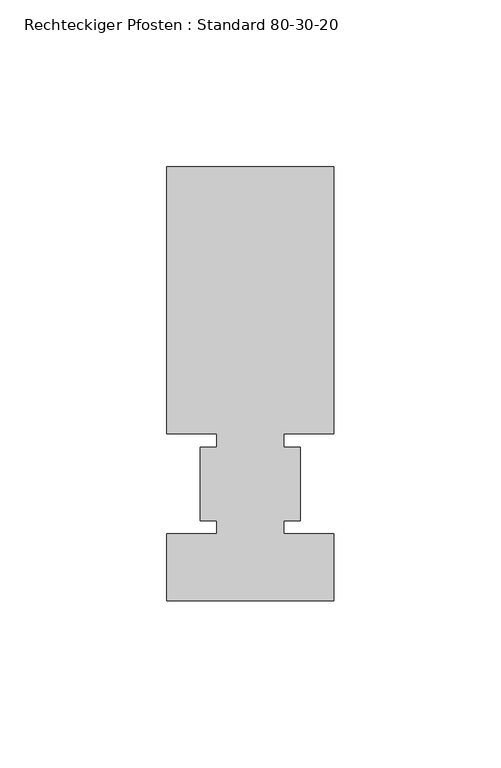
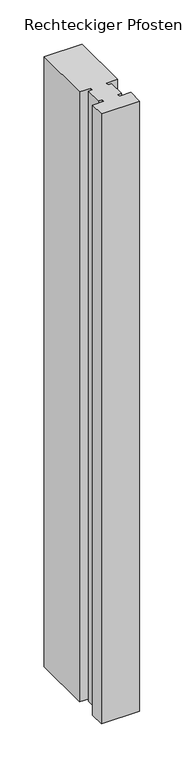
"""IFC4 building model written with IfcOpenShell, lengths in millimetres: member geometry, Rechteckiger Pfosten : Standard 80-30-20."""

import ifcopenshell
import ifcopenshell.guid

model = None  # the IFC model being written
_history = None  # IfcOwnerHistory: only IFC2X3 demands one
_inside = {}  # id of a spatial element -> (the spatial element, [elements in it])
_under = {}  # id of a project, library or spatial element -> (it, [spatial elements below it])
_declared = {}  # id of a project -> (the project, [libraries it declares])
_typed = {}  # id of a type object -> (the type object, [elements of that type])
_made_of = {}  # id of a material, layer set ... -> (it, [elements and type objects made of it])


def new_model(schema):
    """Start an empty IFC model of exactly this schema.

    Asked for "IFC4X3", IfcOpenShell would pick the latest addendum, in which some entities
    have other attributes; the version numbers below select the first issue.
    IFC2X3 requires an IfcOwnerHistory on every rooted entity: one is made here for all.
    """
    global model, _history
    if schema == "IFC4X3":
        model = ifcopenshell.file(schema_version=(4, 3, 0, 0))
    else:
        model = ifcopenshell.file(schema=schema)
    _inside.clear()
    _under.clear()
    _declared.clear()
    _typed.clear()
    _made_of.clear()
    _history = None
    if model.schema == "IFC2X3":
        org = make("IfcOrganization", Name="unknown")
        user = make(
            "IfcPersonAndOrganization",
            ThePerson=make("IfcPerson", FamilyName="unknown"),
            TheOrganization=org,
        )
        app = make(
            "IfcApplication",
            ApplicationDeveloper=org,
            Version="unknown",
            ApplicationFullName="unknown",
            ApplicationIdentifier="unknown",
        )
        _history = make(
            "IfcOwnerHistory",
            OwningUser=user,
            OwningApplication=app,
            ChangeAction="ADDED",
            CreationDate=0,
        )
    return model


def make(cls, **values):
    """One entity of the class cls with the attributes given. An attribute that is None is left unset."""
    return model.create_entity(
        cls, **{name: value for name, value in values.items() if value is not None}
    )


def rooted(cls, **values):
    """An entity with a GlobalId (a new one), such as an element, a storey or a relation."""
    return make(cls, GlobalId=ifcopenshell.guid.new(), OwnerHistory=_history, **values)


def si_unit(unit_type, name, prefix=None):
    """IfcSIUnit, for example si_unit("LENGTHUNIT", "METRE", prefix="MILLI")."""
    return make("IfcSIUnit", UnitType=unit_type, Prefix=prefix, Name=name)


def assignment(units):
    """IfcUnitAssignment: the units of a project."""
    return None if units is None else make("IfcUnitAssignment", Units=units)


def point(xyz):
    """IfcCartesianPoint."""
    return None if xyz is None else make("IfcCartesianPoint", Coordinates=xyz)


def direction(xyz):
    """IfcDirection."""
    return None if xyz is None else make("IfcDirection", DirectionRatios=xyz)


def frame(location, z_axis=None, x_axis=None):
    """IfcAxis2Placement3D, a coordinate frame: its origin and axes. An axis left out is left unset."""
    return make(
        "IfcAxis2Placement3D",
        Location=point(location),
        Axis=direction(z_axis),
        RefDirection=direction(x_axis),
    )


def origin():
    """The frame at (0, 0, 0) with its axes left unset."""
    return frame((0.0, 0.0, 0.0))


def place(relative_to, where):
    """IfcLocalPlacement: puts the frame where relative to a parent placement (None: the world)."""
    return make(
        "IfcLocalPlacement", PlacementRelTo=relative_to, RelativePlacement=where
    )


def context(
    kind, dimensions, precision=None, world=None, true_north=None, identifier=None
):
    """IfcGeometricRepresentationContext, for example the 3D "Model" context."""
    return make(
        "IfcGeometricRepresentationContext",
        ContextIdentifier=identifier,
        ContextType=kind,
        CoordinateSpaceDimension=dimensions,
        Precision=precision,
        WorldCoordinateSystem=world,
        TrueNorth=true_north,
    )


def project(units=None, contexts=None):
    """IfcProject with its units and contexts."""
    return rooted(
        "IfcProject",
        Name="project",
        RepresentationContexts=contexts,
        UnitsInContext=assignment(units),
    )


def spatial(cls, under=None, at=None, **own):
    """A site, building, storey or space (cls), placed at a placement, below another one or the project."""
    s = rooted(cls, ObjectPlacement=at, **own)
    if under is not None:
        _under.setdefault(under.id(), (under, []))[1].append(s)
    return s


def polyline(points):
    """IfcPolyline through the points."""
    return make("IfcPolyline", Points=[point(p) for p in points])


def outline(outer, holes=None, kind="AREA"):
    """IfcArbitraryClosedProfileDef: a profile drawn as a closed curve; with holes, ...WithVoids."""
    if holes is None:
        return make("IfcArbitraryClosedProfileDef", ProfileType=kind, OuterCurve=outer)
    return make(
        "IfcArbitraryProfileDefWithVoids",
        ProfileType=kind,
        OuterCurve=outer,
        InnerCurves=holes,
    )


def extrude(swept, where, along, depth):
    """IfcExtrudedAreaSolid: the profile swept, set in the frame where, extruded along a direction by depth."""
    return make(
        "IfcExtrudedAreaSolid",
        SweptArea=swept,
        Position=where,
        ExtrudedDirection=direction(along),
        Depth=depth,
    )


def shape(context_of_items, identifier, shape_type, items):
    """IfcShapeRepresentation: the items that make up one representation, for example the "Body"."""
    return make(
        "IfcShapeRepresentation",
        ContextOfItems=context_of_items,
        RepresentationIdentifier=identifier,
        RepresentationType=shape_type,
        Items=items,
    )


def source(mapping_origin, context_of_items, identifier, shape_type, items):
    """IfcRepresentationMap: a shape defined once, which mapped items show again and again."""
    return make(
        "IfcRepresentationMap",
        MappingOrigin=mapping_origin,
        MappedRepresentation=shape(context_of_items, identifier, shape_type, items),
    )


def transform(
    local_origin,
    x_axis=None,
    y_axis=None,
    z_axis=None,
    scale=None,
    scale2=None,
    scale3=None,
    uniform=True,
):
    """IfcCartesianTransformationOperator3D, or its non-uniform kind. x_axis, y_axis, z_axis: its Axis1, 2, 3."""
    if uniform:
        return make(
            "IfcCartesianTransformationOperator3D",
            Axis1=direction(x_axis),
            Axis2=direction(y_axis),
            LocalOrigin=point(local_origin),
            Scale=scale,
            Axis3=direction(z_axis),
        )
    return make(
        "IfcCartesianTransformationOperator3DnonUniform",
        Axis1=direction(x_axis),
        Axis2=direction(y_axis),
        LocalOrigin=point(local_origin),
        Scale=scale,
        Axis3=direction(z_axis),
        Scale2=scale2,
        Scale3=scale3,
    )


def mapped(mapping_source, mapping_target):
    """IfcMappedItem: shows the shape of a source again, moved by a transform."""
    return make(
        "IfcMappedItem", MappingSource=mapping_source, MappingTarget=mapping_target
    )


def made_of(thing, what):
    """Note that an element or type object is made of a material, layer set ...; save() writes the relation."""
    if what is not None:
        _made_of.setdefault(what.id(), (what, []))[1].append(thing)
    return thing


def element(
    cls,
    number,
    at=None,
    inside=None,
    cuts=None,
    type_object=None,
    material=None,
    context=None,
    identifier="Body",
    shape_type=None,
    held_by="IfcProductDefinitionShape",
    body=None,
    shapes=None,
    **own,
):
    """One element of the class cls, such as IfcWall. Its Tag is "e" and its number.

    at: its placement. inside: the storey or other place that contains it. cuts: it is an
    opening in that element (IfcRelVoidsElement). A single representation is given by context,
    identifier, shape_type and body (its items); several are given by shapes. held_by: the class
    of the entity that holds the representations. save() writes the other relations.
    """
    e = rooted(cls, Tag="e%d" % number, ObjectPlacement=at, **own)
    if body is not None:
        shapes = [shape(context, identifier, shape_type, body)]
    if shapes is not None:
        e.Representation = make(held_by, Representations=shapes)
    if inside is not None:
        _inside.setdefault(inside.id(), (inside, []))[1].append(e)
    if cuts is not None:
        rooted(
            "IfcRelVoidsElement", RelatingBuildingElement=cuts, RelatedOpeningElement=e
        )
    if type_object is not None:
        _typed.setdefault(type_object.id(), (type_object, []))[1].append(e)
    return made_of(e, material)


def aggregate(whole, parts):
    """IfcRelAggregates: a whole, such as a stair, and the parts it consists of."""
    return rooted("IfcRelAggregates", RelatingObject=whole, RelatedObjects=parts)


def save(model, path):
    """Write the relations noted so far, then the file.

    IfcRelAggregates (storeys below a building ...), IfcRelContainedInSpatialStructure (elements
    in a storey), IfcRelDefinesByType, IfcRelAssociatesMaterial and IfcRelDeclares: one each for
    every whole, place, type object, material and project.
    """
    for whole, parts in _under.values():
        aggregate(whole, parts)
    for where, things in _inside.values():
        rooted(
            "IfcRelContainedInSpatialStructure",
            RelatedElements=things,
            RelatingStructure=where,
        )
    for kind, things in _typed.values():
        rooted("IfcRelDefinesByType", RelatedObjects=things, RelatingType=kind)
    for what, things in _made_of.values():
        rooted("IfcRelAssociatesMaterial", RelatedObjects=things, RelatingMaterial=what)
    for by, libraries in _declared.values():
        rooted("IfcRelDeclares", RelatingContext=by, RelatedDefinitions=libraries)
    model.write(path)


def rechteckiger_pfosten_standard_80_30_20_20eba222(model_context):
    return source(origin(), model_context, "Body", "SweptSolid", [
        extrude(outline(polyline([(-50.0, 95.0), (0.0, 95.0), (0.0, 15.0), (-15.0, 15.0), (-15.0, 11.0), (-10.0, 11.0), (-10.0, -11.0), (-15.0, -11.0), (-15.0, -15.0), (0.0, -15.0), (0.0, -35.0), (-50.0, -35.0), (-50.0, -15.0), (-35.0, -15.0), (-35.0, -11.0), (-40.0, -11.0), (-40.0, 11.0), (-35.0, 11.0), (-35.0, 15.0), (-50.0, 15.0), (-50.0, 95.0)])), frame((0.0, 0.0, -842.5000002), z_axis=(0.0, 0.0, 1.0), x_axis=(1.0, 0.0, 0.0)), (0.0, 0.0, 1.0), 842.5000002),
    ])


if __name__ == "__main__":
    model = new_model("IFC4")
    model_context = context("Model", 3, world=origin())
    ifc_project = project(units=[si_unit("LENGTHUNIT", "METRE", prefix="MILLI")], contexts=[model_context])
    site = spatial("IfcSite", under=ifc_project)
    building = spatial("IfcBuilding", under=site)
    placement = place(None, origin())
    rechteckiger_pfosten_standard_80_30_20_shape = rechteckiger_pfosten_standard_80_30_20_20eba222(model_context)
    element("IfcMember", 1, ObjectType="Rechteckiger Pfosten : Standard 80-30-20", at=placement, inside=building, context=model_context, shape_type="MappedRepresentation", body=[
        mapped(rechteckiger_pfosten_standard_80_30_20_shape, transform((0.0, 0.0, 0.0), x_axis=(1.0, 0.0, 0.0), y_axis=(0.0, 1.0, 0.0), z_axis=(0.0, 0.0, 1.0))),
    ])
    save(model, "model.ifc")
